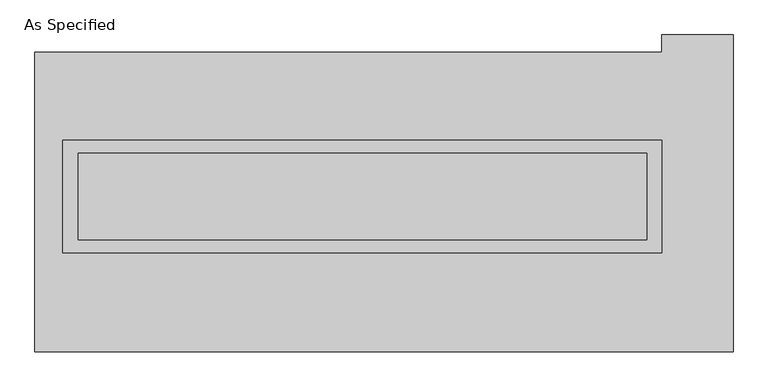
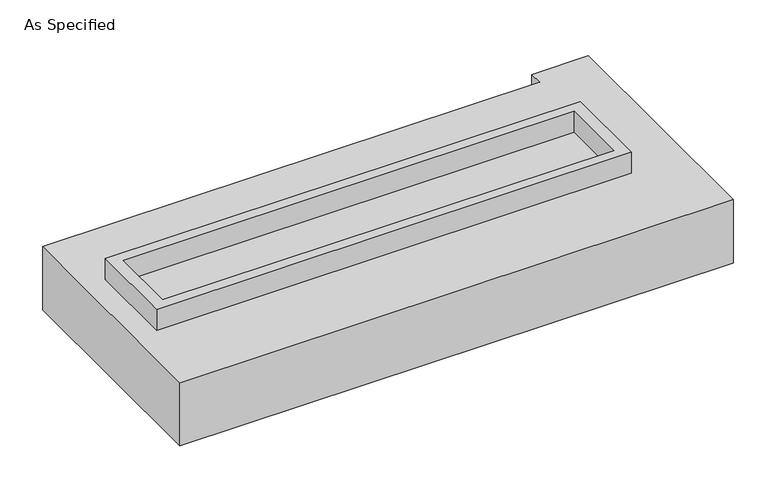
"""IFC4 building model written with IfcOpenShell, lengths in millimetres: proxy geometry, As Specified."""

from ifc_helpers import new_model, si_unit, frame, origin, place, context, project, spatial, polyline, outline, extrude, source, transform, mapped, element, save


def as_specified_0d812618(model_context):
    return source(origin(), model_context, "Body", "SweptSolid", [
        extrude(outline(polyline([(1765.3, 361.95), (1765.3, -298.45), (-1765.3, -298.45), (-1765.3, 361.95), (1765.3, 361.95)]), holes=[polyline([(1676.4, 285.75), (-1676.4, 285.75), (-1676.4, -222.25), (1676.4, -222.25), (1676.4, 285.75)])]), frame((0.0, 0.0, -688.975), z_axis=(0.0, 0.0, 1.0), x_axis=(1.0, 0.0, 0.0)), (0.0, 0.0, 1.0), 165.1),
        extrude(outline(polyline([(1765.3, 361.95), (1765.3, -298.45), (-1765.3, -298.45), (-1765.3, 361.95), (1765.3, 361.95)]), holes=[polyline([(1676.4, 285.75), (-1676.4, 285.75), (-1676.4, -222.25), (1676.4, -222.25), (1676.4, 285.75)])]), frame((0.0, 0.0, -25.4), z_axis=(0.0, 0.0, 1.0), x_axis=(1.0, 0.0, 0.0)), (0.0, 0.0, 1.0), 165.1),
        extrude(outline(polyline([(1676.4, 285.75), (1676.4, -222.25), (-1676.4, -222.25), (-1676.4, 285.75), (1676.4, 285.75)])), frame((0.0, 0.0, -523.875), z_axis=(0.0, 0.0, 1.0), x_axis=(1.0, 0.0, 0.0)), (0.0, 0.0, 1.0), 4.9609375),
        extrude(outline(polyline([(1676.4, 285.75), (1676.4, -222.25), (-1676.4, -222.25), (-1676.4, 285.75), (1676.4, 285.75)])), frame((0.0, 0.0, -30.3609375), z_axis=(0.0, 0.0, 1.0), x_axis=(1.0, 0.0, 0.0)), (0.0, 0.0, 1.0), 4.9609375),
        extrude(outline(polyline([(2184.4, -882.65), (-1930.4, -882.65), (-1930.4, 882.65), (1765.3, 882.65), (1765.3, 984.25), (2184.4, 984.25), (2184.4, -882.65)]), holes=[polyline([(-1765.3, 361.95), (-1765.3, -298.45), (1765.3, -298.45), (1765.3, 361.95), (-1765.3, 361.95)])]), frame((0.0, 0.0, -523.875), z_axis=(0.0, 0.0, 1.0), x_axis=(1.0, 0.0, 0.0)), (0.0, 0.0, 1.0), 498.475),
    ])


if __name__ == "__main__":
    model = new_model("IFC4")
    model_context = context("Model", 3, world=origin())
    ifc_project = project(units=[si_unit("LENGTHUNIT", "METRE", prefix="MILLI")], contexts=[model_context])
    site = spatial("IfcSite", under=ifc_project)
    building = spatial("IfcBuilding", under=site)
    placement = place(None, origin())
    as_specified_shape = as_specified_0d812618(model_context)
    element("IfcBuildingElementProxy", 1, Name="As Specified", ObjectType="As Specified", at=placement, inside=building, context=model_context, shape_type="MappedRepresentation", body=[
        mapped(as_specified_shape, transform((0.0, 0.0, 0.0), x_axis=(1.0, 0.0, 0.0), y_axis=(0.0, 1.0, 0.0), z_axis=(0.0, 0.0, 1.0))),
    ])
    save(model, "model.ifc")
